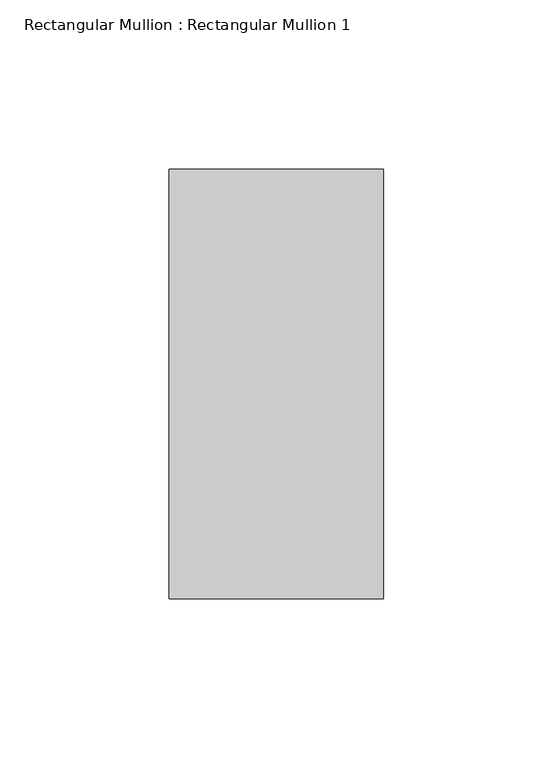
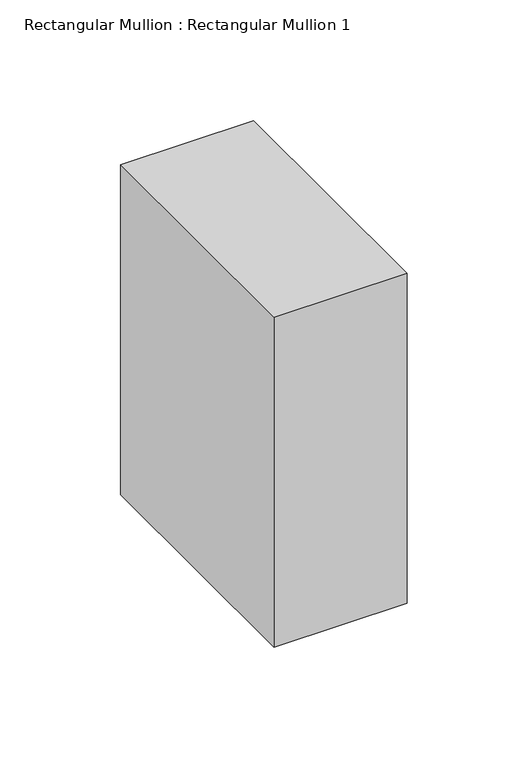
"""IFC4 building model written with IfcOpenShell, lengths in millimetres: member geometry, Rectangular Mullion : Rectangular Mullion 1."""

from ifc_helpers import new_model, si_unit, frame, origin, place, context, project, spatial, polyline, outline, extrude, source, transform, mapped, element, save


def rectangular_mullion_rectangular_mullion_1_018ae7aa(model_context):
    return source(origin(), model_context, "Body", "SweptSolid", [
        extrude(outline(polyline([(31.75, 63.5), (31.75, -63.5), (-31.75, -63.5), (-31.75, 63.5), (31.75, 63.5)])), frame((0.0, 0.0, -166.5), z_axis=(0.0, 0.0, 1.0), x_axis=(1.0, 0.0, 0.0)), (0.0, 0.0, 1.0), 166.5),
    ])


if __name__ == "__main__":
    model = new_model("IFC4")
    model_context = context("Model", 3, world=origin())
    ifc_project = project(units=[si_unit("LENGTHUNIT", "METRE", prefix="MILLI")], contexts=[model_context])
    site = spatial("IfcSite", under=ifc_project)
    building = spatial("IfcBuilding", under=site)
    placement = place(None, origin())
    rectangular_mullion_rectangular_mullion_1_shape = rectangular_mullion_rectangular_mullion_1_018ae7aa(model_context)
    element("IfcMember", 1, ObjectType="Rectangular Mullion : Rectangular Mullion 1", at=placement, inside=building, context=model_context, shape_type="MappedRepresentation", body=[
        mapped(rectangular_mullion_rectangular_mullion_1_shape, transform((0.0, 0.0, 0.0), x_axis=(1.0, 0.0, 0.0), y_axis=(0.0, 1.0, 0.0), z_axis=(0.0, 0.0, 1.0))),
    ])
    save(model, "model.ifc")
